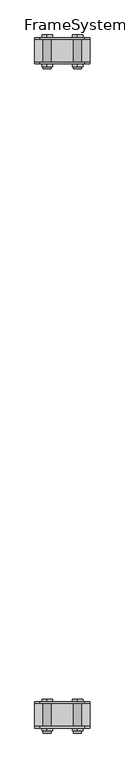
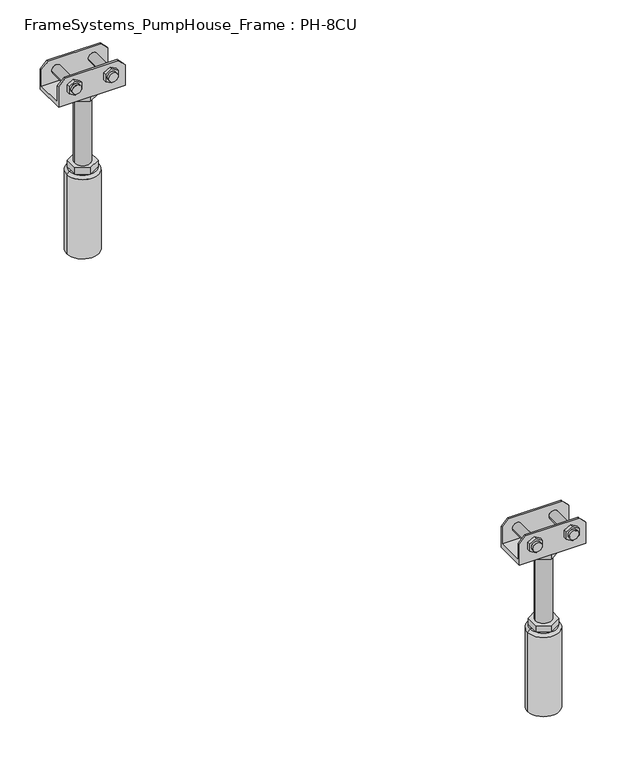
"""IFC4 building model written with IfcOpenShell, lengths in millimetres: beam geometry, FrameSystems_PumpHouse_Frame : PH-8CU."""

from ifc_helpers import new_model, si_unit, frame, origin, place, context, project, spatial, polyline, circle_curve, source, transform, mapped, element, save
from ifc_brep_helpers import plane_surface, cylinder_surface, revolved_surface, advanced_brep


def framesystems_pumphouse_frame_ph_8cu_715296e1(model_context):
    return source(origin(), model_context, "Body", "AdvancedBrep", [
        advanced_brep(
        [(3640.0, 1179.25, 316.0), (3650.0, 1179.25, 306.0), (3650.0, 1179.25, 280.0), (3550.0, 1179.25, 280.0), (3550.0, 1179.25, 306.0), (3560.0, 1179.25, 316.0), (3634.5, 1179.25, 299.0), (3620.5, 1179.25, 299.0), (3579.5, 1179.25, 299.0), (3565.5, 1179.25, 299.0), (3640.0, 1176.25, 316.0), (3560.0, 1176.25, 316.0), (3550.0, 1176.25, 306.0), (3550.0, 1176.25, 273.0), (3650.0, 1176.25, 273.0), (3650.0, 1176.25, 306.0), (3617.9194511, 1176.25, 293.4686675), (3617.9194511, 1176.25, 304.5313325), (3627.5, 1176.25, 310.062665), (3637.0805489, 1176.25, 304.5313325), (3637.0805489, 1176.25, 293.4686675), (3627.5, 1176.25, 287.937335), (3562.9194511, 1176.25, 293.4686675), (3562.9194511, 1176.25, 304.5313325), (3572.5, 1176.25, 310.062665), (3582.0805489, 1176.25, 304.5313325), (3582.0805489, 1176.25, 293.4686675), (3572.5, 1176.25, 287.937335), (3640.0, 1223.653247, 316.0), (3650.0, 1223.653247, 306.0), (3650.0, 1223.653247, 273.0), (3550.0, 1223.653247, 273.0), (3550.0, 1223.653247, 306.0), (3560.0, 1223.653247, 316.0), (3637.0805489, 1223.653247, 304.5313325), (3627.5, 1223.653247, 310.062665), (3617.9194511, 1223.653247, 304.5313325), (3617.9194511, 1223.653247, 293.4686675), (3627.5, 1223.653247, 287.937335), (3637.0805489, 1223.653247, 293.4686675), (3582.0805489, 1223.653247, 304.5313325), (3572.5, 1223.653247, 310.062665), (3562.9194511, 1223.653247, 304.5313325), (3562.9194511, 1223.653247, 293.4686675), (3572.5, 1223.653247, 287.937335), (3582.0805489, 1223.653247, 293.4686675), (3550.0, 1220.75, 280.0), (3550.0, 1220.75, 306.0), (3650.0, 1220.75, 280.0), (3650.0, 1220.75, 306.0), (3640.0, 1220.75, 316.0), (3560.0, 1220.75, 316.0), (3620.5, 1220.75, 299.0), (3634.5, 1220.75, 299.0), (3565.5, 1220.75, 299.0), (3579.5, 1220.75, 299.0), (3582.6794919, 1210.0, 273.0), (3582.6794919, 1190.0, 273.0), (3600.0, 1180.0, 273.0), (3617.3205081, 1190.0, 273.0), (3617.3205081, 1210.0, 273.0), (3600.0, 1220.0, 273.0), (3620.5, 1167.3051094, 299.0), (3634.5, 1167.3051094, 299.0), (3565.5, 1167.3051094, 299.0), (3579.5, 1167.3051094, 299.0), (3634.5, 1171.25, 299.0), (3620.5, 1171.25, 299.0), (3579.5, 1171.25, 299.0), (3565.5, 1171.25, 299.0), (3627.5, 1228.653247, 310.062665), (3637.0805489, 1228.653247, 304.5313325), (3637.0805489, 1228.653247, 293.4686675), (3627.5, 1228.653247, 287.937335), (3617.9194511, 1228.653247, 293.4686675), (3617.9194511, 1228.653247, 304.5313325), (3572.5, 1228.653247, 310.062665), (3582.0805489, 1228.653247, 304.5313325), (3582.0805489, 1228.653247, 293.4686675), (3572.5, 1228.653247, 287.937335), (3562.9194511, 1228.653247, 293.4686675), (3562.9194511, 1228.653247, 304.5313325), (3588.0, 1200.0, 263.0), (3588.0, 1200.0, 157.0), (3612.0, 1200.0, 157.0), (3612.0, 1200.0, 263.0), (3582.6794919, 1210.0, 263.0), (3600.0, 1220.0, 263.0), (3617.3205081, 1210.0, 263.0), (3617.3205081, 1190.0, 263.0), (3600.0, 1180.0, 263.0), (3582.6794919, 1190.0, 263.0), (3582.6794919, 1210.0, 157.0), (3582.6794919, 1190.0, 157.0), (3600.0, 1180.0, 157.0), (3617.3205081, 1190.0, 157.0), (3617.3205081, 1210.0, 157.0), (3600.0, 1220.0, 157.0), (3582.6794919, 1210.0, 147.0), (3582.6794919, 1200.0, 147.0), (3582.6794919, 1190.0, 147.0), (3600.0, 1180.0, 147.0), (3617.3205081, 1190.0, 147.0), (3617.3205081, 1200.0, 147.0), (3617.3205081, 1210.0, 147.0), (3600.0, 1220.0, 147.0), (3580.0, 1200.0, 147.0), (3620.0, 1200.0, 147.0), (3624.0, 1200.0, 143.0), (3576.0, 1200.0, 143.0), (3624.0, 1200.0, 17.0), (3576.0, 1200.0, 17.0), (3600.0, 1200.0, 17.0), (3617.9194511, 1171.25, 304.5313325), (3617.9194511, 1171.25, 293.4686675), (3627.5, 1171.25, 287.937335), (3637.0805489, 1171.25, 293.4686675), (3637.0805489, 1171.25, 304.5313325), (3627.5, 1171.25, 310.062665), (3562.9194511, 1171.25, 304.5313325), (3562.9194511, 1171.25, 293.4686675), (3572.5, 1171.25, 287.937335), (3582.0805489, 1171.25, 293.4686675), (3582.0805489, 1171.25, 304.5313325), (3572.5, 1171.25, 310.062665)],
        [
            (0, 1),
            (1, 2),
            (2, 3),
            (3, 4),
            (4, 5),
            (5, 0),
            (6, 7, circle_curve(frame((3627.5, 1179.25, 299.0), z_axis=(0.0, -1.0, 0.0), x_axis=(-1.0, 0.0, 0.0)), 7.0)),
            (7, 6, circle_curve(frame((3627.5, 1179.25, 299.0), z_axis=(0.0, -1.0, 0.0), x_axis=(-1.0, 0.0, 0.0)), 7.0)),
            (8, 9, circle_curve(frame((3572.5, 1179.25, 299.0), z_axis=(0.0, -1.0, 0.0), x_axis=(-1.0, 0.0, 0.0)), 7.0)),
            (9, 8, circle_curve(frame((3572.5, 1179.25, 299.0), z_axis=(0.0, -1.0, 0.0), x_axis=(-1.0, 0.0, 0.0)), 7.0)),
            (10, 11),
            (11, 12),
            (12, 13),
            (13, 14),
            (14, 15),
            (15, 10),
            (16, 17),
            (17, 18),
            (18, 19),
            (19, 20),
            (20, 21),
            (21, 16),
            (22, 23),
            (23, 24),
            (24, 25),
            (25, 26),
            (26, 27),
            (27, 22),
            (5, 11),
            (10, 0),
            (4, 12),
            (15, 1),
            (28, 29),
            (29, 30),
            (30, 31),
            (31, 32),
            (32, 33),
            (33, 28),
            (34, 35),
            (35, 36),
            (36, 37),
            (37, 38),
            (38, 39),
            (39, 34),
            (40, 41),
            (41, 42),
            (42, 43),
            (43, 44),
            (44, 45),
            (45, 40),
            (46, 47),
            (47, 32),
            (31, 13),
            (3, 46),
            (46, 48),
            (48, 49),
            (49, 50),
            (50, 51),
            (51, 47),
            (52, 53, circle_curve(frame((3627.5, 1220.75, 299.0), z_axis=(0.0, 1.0, 0.0), x_axis=(-1.0, 0.0, 0.0)), 7.0)),
            (53, 52, circle_curve(frame((3627.5, 1220.75, 299.0), z_axis=(0.0, 1.0, 0.0), x_axis=(-1.0, 0.0, 0.0)), 7.0)),
            (54, 55, circle_curve(frame((3572.5, 1220.75, 299.0), z_axis=(0.0, 1.0, 0.0), x_axis=(-1.0, 0.0, 0.0)), 7.0)),
            (55, 54, circle_curve(frame((3572.5, 1220.75, 299.0), z_axis=(0.0, 1.0, 0.0), x_axis=(-1.0, 0.0, 0.0)), 7.0)),
            (48, 2),
            (14, 30),
            (29, 49),
            (50, 28),
            (33, 51),
            (56, 57),
            (57, 58),
            (58, 59),
            (59, 60),
            (60, 61),
            (61, 56),
            (62, 63, circle_curve(frame((3627.5, 1167.3051094, 299.0), z_axis=(0.0, -1.0, 0.0), x_axis=(-1.0, 0.0, 0.0)), 7.0)),
            (63, 62, circle_curve(frame((3627.5, 1167.3051094, 299.0), z_axis=(0.0, -1.0, 0.0), x_axis=(-1.0, 0.0, 0.0)), 7.0)),
            (64, 65, circle_curve(frame((3572.5, 1167.3051094, 299.0), z_axis=(0.0, -1.0, 0.0), x_axis=(-1.0, 0.0, 0.0)), 7.0)),
            (65, 64, circle_curve(frame((3572.5, 1167.3051094, 299.0), z_axis=(0.0, -1.0, 0.0), x_axis=(-1.0, 0.0, 0.0)), 7.0)),
            (63, 66),
            (66, 67, circle_curve(frame((3627.5, 1171.25, 299.0), z_axis=(0.0, -1.0, 0.0), x_axis=(-1.0, 0.0, 0.0)), 7.0)),
            (67, 62),
            (6, 53),
            (52, 7),
            (67, 66, circle_curve(frame((3627.5, 1171.25, 299.0), z_axis=(0.0, -1.0, 0.0), x_axis=(-1.0, 0.0, 0.0)), 7.0)),
            (65, 68),
            (68, 69, circle_curve(frame((3572.5, 1171.25, 299.0), z_axis=(0.0, -1.0, 0.0), x_axis=(-1.0, 0.0, 0.0)), 7.0)),
            (69, 64),
            (8, 55),
            (54, 9),
            (69, 68, circle_curve(frame((3572.5, 1171.25, 299.0), z_axis=(0.0, -1.0, 0.0), x_axis=(-1.0, 0.0, 0.0)), 7.0)),
            (70, 71),
            (71, 72),
            (72, 73),
            (73, 74),
            (74, 75),
            (75, 70),
            (76, 77),
            (77, 78),
            (78, 79),
            (79, 80),
            (80, 81),
            (81, 76),
            (70, 35),
            (34, 71),
            (39, 72),
            (38, 73),
            (37, 74),
            (36, 75),
            (76, 41),
            (40, 77),
            (45, 78),
            (44, 79),
            (43, 80),
            (42, 81),
            (82, 83),
            (83, 84, circle_curve(frame((3600.0, 1200.0, 157.0), z_axis=(0.0, 0.0, 1.0), x_axis=(1.0, 0.0, 0.0)), 12.0)),
            (84, 85),
            (85, 82, circle_curve(frame((3600.0, 1200.0, 263.0), z_axis=(0.0, 0.0, -1.0), x_axis=(1.0, 0.0, 0.0)), 12.0)),
            (82, 85, circle_curve(frame((3600.0, 1200.0, 263.0), z_axis=(0.0, 0.0, -1.0), x_axis=(1.0, 0.0, 0.0)), 12.0)),
            (84, 83, circle_curve(frame((3600.0, 1200.0, 157.0), z_axis=(0.0, 0.0, 1.0), x_axis=(1.0, 0.0, 0.0)), 12.0)),
            (86, 87),
            (87, 88),
            (88, 89),
            (89, 90),
            (90, 91),
            (91, 86),
            (91, 57),
            (56, 86),
            (90, 58),
            (89, 59),
            (88, 60),
            (87, 61),
            (92, 93),
            (93, 94),
            (94, 95),
            (95, 96),
            (96, 97),
            (97, 92),
            (92, 98),
            (98, 99),
            (99, 100),
            (100, 93),
            (100, 101),
            (101, 94),
            (101, 102),
            (102, 95),
            (102, 103),
            (103, 104),
            (104, 96),
            (104, 105),
            (105, 97),
            (105, 98),
            (98, 106, circle_curve(frame((3600.0, 1200.0, 147.0), z_axis=(0.0, 0.0, 1.0), x_axis=(-1.0, 0.0, 0.0)), 20.0)),
            (106, 99),
            (105, 98, circle_curve(frame((3600.0, 1200.0, 147.0), z_axis=(0.0, 0.0, 1.0), x_axis=(-1.0, 0.0, 0.0)), 20.0)),
            (104, 105, circle_curve(frame((3600.0, 1200.0, 147.0), z_axis=(0.0, 0.0, 1.0), x_axis=(-1.0, 0.0, 0.0)), 20.0)),
            (107, 104, circle_curve(frame((3600.0, 1200.0, 147.0), z_axis=(0.0, 0.0, 1.0), x_axis=(-1.0, 0.0, 0.0)), 20.0)),
            (103, 107),
            (102, 107, circle_curve(frame((3600.0, 1200.0, 147.0), z_axis=(0.0, 0.0, 1.0), x_axis=(-1.0, 0.0, 0.0)), 20.0)),
            (101, 102, circle_curve(frame((3600.0, 1200.0, 147.0), z_axis=(0.0, 0.0, 1.0), x_axis=(-1.0, 0.0, 0.0)), 20.0)),
            (100, 101, circle_curve(frame((3600.0, 1200.0, 147.0), z_axis=(0.0, 0.0, 1.0), x_axis=(-1.0, 0.0, 0.0)), 20.0)),
            (106, 100, circle_curve(frame((3600.0, 1200.0, 147.0), z_axis=(0.0, 0.0, 1.0), x_axis=(-1.0, 0.0, 0.0)), 20.0)),
            (108, 109, circle_curve(frame((3600.0, 1200.0, 143.0), z_axis=(0.0, 0.0, 1.0), x_axis=(-1.0, 0.0, 0.0)), 24.0)),
            (109, 106),
            (107, 108),
            (109, 108, circle_curve(frame((3600.0, 1200.0, 143.0), z_axis=(0.0, 0.0, 1.0), x_axis=(-1.0, 0.0, 0.0)), 24.0)),
            (108, 110),
            (110, 111, circle_curve(frame((3600.0, 1200.0, 17.0), z_axis=(0.0, 0.0, 1.0), x_axis=(-1.0, 0.0, 0.0)), 24.0)),
            (111, 109),
            (111, 110, circle_curve(frame((3600.0, 1200.0, 17.0), z_axis=(0.0, 0.0, 1.0), x_axis=(-1.0, 0.0, 0.0)), 24.0)),
            (110, 112),
            (112, 111),
            (113, 114),
            (114, 115),
            (115, 116),
            (116, 117),
            (117, 118),
            (118, 113),
            (113, 17),
            (16, 114),
            (21, 115),
            (20, 116),
            (19, 117),
            (18, 118),
            (119, 120),
            (120, 121),
            (121, 122),
            (122, 123),
            (123, 124),
            (124, 119),
            (119, 23),
            (22, 120),
            (27, 121),
            (26, 122),
            (25, 123),
            (24, 124),
        ],
        [
            plane_surface(frame((3584.0150941, 1179.25, 316.0), z_axis=(0.0, 1.0, 0.0), x_axis=(1.0, 0.0, 0.0))),
            plane_surface(frame((3584.0150941, 1176.25, 316.0), z_axis=(0.0, -1.0, 0.0), x_axis=(-1.0, 0.0, 0.0))),
            plane_surface(frame((3640.0, 1176.25, 316.0), z_axis=(0.0, 0.0, 1.0), x_axis=(0.0, 1.0, 0.0))),
            plane_surface(frame((3560.0, 1176.25, 316.0), z_axis=(-0.7071067811865467, 0.0, 0.7071067811865485), x_axis=(0.0, 1.0, 0.0))),
            plane_surface(frame((3650.0, 1176.25, 306.0), z_axis=(0.7071067811865488, 0.0, 0.7071067811865464), x_axis=(0.0, 1.0, 0.0))),
            plane_surface(frame((3650.0, 1223.653247, 306.0), z_axis=(0.0, 1.0, 0.0), x_axis=(0.0, 0.0, -1.0))),
            plane_surface(frame((3550.0, 1223.653247, 306.0), z_axis=(-1.0, 0.0, 0.0), x_axis=(0.0, 0.0, -1.0))),
            plane_surface(frame((3550.0, 1220.75, 306.0), z_axis=(0.0, -1.0, 0.0), x_axis=(0.0, 0.0, -1.0))),
            plane_surface(frame((3650.0, 1220.75, 306.0), z_axis=(1.0, 0.0, 0.0), x_axis=(0.0, 0.0, -1.0))),
            plane_surface(frame((3560.0, 1223.75, 316.0), z_axis=(0.0, 0.0, 1.0), x_axis=(0.0, -1.0, 0.0))),
            plane_surface(frame((3550.0, 1223.75, 306.0), z_axis=(-0.7071067811865467, 0.0, 0.7071067811865485), x_axis=(0.0, -1.0, 0.0))),
            plane_surface(frame((3640.0, 1223.75, 316.0), z_axis=(0.7071067811865493, 0.0, 0.7071067811865457), x_axis=(0.0, -1.0, 0.0))),
            plane_surface(frame((3600.0, 1223.75, 280.0), z_axis=(0.0, 0.0, 1.0), x_axis=(-1.0, 0.0, 0.0))),
            plane_surface(frame((3600.0, 1223.75, 273.0), z_axis=(0.0, 0.0, -1.0), x_axis=(1.0, 0.0, 0.0))),
            plane_surface(frame((3620.5, 1167.3051094, 299.0), z_axis=(0.0, -1.0, 0.0), x_axis=(0.0, 0.0, -1.0))),
            cylinder_surface(frame((3627.5, 1167.3051094, 299.0), z_axis=(0.0, 1.0, 0.0), x_axis=(-1.0, 0.0, 0.0)), 7.0),
            cylinder_surface(frame((3572.5, 1223.653247, 299.0), z_axis=(0.0, 1.0, 0.0), x_axis=(-1.0, 0.0, 0.0)), 7.0),
            plane_surface(frame((3627.5, 1228.653247, 310.062665), z_axis=(0.0, 1.0000000000000002, 0.0), x_axis=(0.8660254037844375, 0.0, -0.5000000000000022))),
            plane_surface(frame((3627.5, 1228.653247, 310.062665), z_axis=(0.5000000000000022, 0.0, 0.8660254037844375), x_axis=(0.0, -1.0, 0.0))),
            plane_surface(frame((3637.0805489, 1228.653247, 304.5313325), z_axis=(1.0, 0.0, 0.0), x_axis=(0.0, -1.0, 0.0))),
            plane_surface(frame((3637.0805489, 1228.653247, 293.4686675), z_axis=(0.4999999999999969, 0.0, -0.8660254037844405), x_axis=(0.0, -1.0, 0.0))),
            plane_surface(frame((3627.5, 1228.653247, 287.937335), z_axis=(-0.5000000000000034, 0.0, -0.8660254037844367), x_axis=(0.0, -1.0, 0.0))),
            plane_surface(frame((3617.9194511, 1228.653247, 293.4686675), z_axis=(-1.0, 0.0, 0.0), x_axis=(0.0, -1.0, 0.0))),
            plane_surface(frame((3617.9194511, 1228.653247, 304.5313325), z_axis=(-0.49999999999999684, 0.0, 0.8660254037844405), x_axis=(0.0, -1.0, 0.0))),
            plane_surface(frame((3572.5, 1228.653247, 310.062665), z_axis=(0.5000000000000023, 0.0, 0.8660254037844374), x_axis=(0.0, -1.0, 0.0))),
            plane_surface(frame((3582.0805489, 1228.653247, 304.5313325), z_axis=(1.0, 0.0, 0.0), x_axis=(0.0, -1.0, 0.0))),
            plane_surface(frame((3582.0805489, 1228.653247, 293.4686675), z_axis=(0.4999999999999969, 0.0, -0.8660254037844405), x_axis=(0.0, -1.0, 0.0))),
            plane_surface(frame((3572.5, 1228.653247, 287.937335), z_axis=(-0.5000000000000033, 0.0, -0.8660254037844368), x_axis=(0.0, -1.0, 0.0))),
            plane_surface(frame((3562.9194511, 1228.653247, 293.4686675), z_axis=(-1.0, 0.0, 0.0), x_axis=(0.0, -1.0, 0.0))),
            plane_surface(frame((3562.9194511, 1228.653247, 304.5313325), z_axis=(-0.4999999999999967, 0.0, 0.8660254037844405), x_axis=(0.0, -1.0, 0.0))),
            cylinder_surface(frame((3600.0, 1200.0, 157.0), z_axis=(0.0, 0.0, 1.0), x_axis=(1.0, 0.0, 0.0)), 12.0),
            plane_surface(frame((3582.6794919, 1210.0, 263.0), z_axis=(0.0, 0.0, -1.0), x_axis=(0.0, 1.0, 0.0))),
            plane_surface(frame((3582.6794919, 1210.0, 273.0), z_axis=(-1.0, 0.0, 0.0), x_axis=(0.0, 0.0, -1.0))),
            plane_surface(frame((3582.6794919, 1190.0, 273.0), z_axis=(-0.5000000000000034, -0.8660254037844367, 0.0), x_axis=(0.0, 0.0, -1.0))),
            plane_surface(frame((3600.0, 1180.0, 273.0), z_axis=(0.4999999999999958, -0.8660254037844412, 0.0), x_axis=(0.0, 0.0, -1.0))),
            plane_surface(frame((3617.3205081, 1190.0, 273.0), z_axis=(1.0, 0.0, 0.0), x_axis=(0.0, 0.0, -1.0))),
            plane_surface(frame((3617.3205081, 1210.0, 273.0), z_axis=(0.5000000000000064, 0.866025403784435, 0.0), x_axis=(0.0, 0.0, -1.0))),
            plane_surface(frame((3600.0, 1220.0, 273.0), z_axis=(-0.4999999999999984, 0.8660254037844396, 0.0), x_axis=(0.0, 0.0, -1.0))),
            plane_surface(frame((3582.6794919, 1210.0, 157.0), z_axis=(0.0, 0.0, 1.0), x_axis=(0.0, -1.0, 0.0))),
            plane_surface(frame((3582.6794919, 1210.0, 157.0), z_axis=(-1.0, 0.0, 0.0), x_axis=(0.0, 0.0, -1.0))),
            plane_surface(frame((3582.6794919, 1190.0, 157.0), z_axis=(-0.5000000000000034, -0.8660254037844367, 0.0), x_axis=(0.0, 0.0, -1.0))),
            plane_surface(frame((3600.0, 1180.0, 157.0), z_axis=(0.49999999999999545, -0.8660254037844413, 0.0), x_axis=(0.0, 0.0, -1.0))),
            plane_surface(frame((3617.3205081, 1190.0, 157.0), z_axis=(1.0, 0.0, 0.0), x_axis=(0.0, 0.0, -1.0))),
            plane_surface(frame((3617.3205081, 1210.0, 157.0), z_axis=(0.5000000000000064, 0.866025403784435, 0.0), x_axis=(0.0, 0.0, -1.0))),
            plane_surface(frame((3600.0, 1220.0, 157.0), z_axis=(-0.49999999999999845, 0.8660254037844396, 0.0), x_axis=(0.0, 0.0, -1.0))),
            plane_surface(frame((3600.0, 1200.0, 147.0), z_axis=(0.0, 0.0, 1.0), x_axis=(-1.0, 0.0, 0.0))),
            revolved_surface(polyline([(3580.0, 1200.0, 147.0), (3576.0, 1200.0, 143.0)]), (3600.0, 1200.0, 172.0), (0.0, 0.0, -1.0)),
            cylinder_surface(frame((3600.0, 1200.0, 172.0), z_axis=(0.0, 0.0, -1.0), x_axis=(-1.0, 0.0, 0.0)), 24.0),
            plane_surface(frame((3600.0, 1200.0, 17.0), z_axis=(0.0, 0.0, -1.0), x_axis=(-1.0, 0.0, 0.0))),
            plane_surface(frame((3617.9194511, 1171.25, 304.5313325), z_axis=(0.0, -1.0, 0.0), x_axis=(0.0, 0.0, -1.0))),
            plane_surface(frame((3617.9194511, 1171.25, 304.5313325), z_axis=(-1.0, 0.0, 0.0), x_axis=(0.0, 1.0, 0.0))),
            plane_surface(frame((3617.9194511, 1171.25, 293.4686675), z_axis=(-0.500000000000003, 0.0, -0.866025403784437), x_axis=(0.0, 1.0, 0.0))),
            plane_surface(frame((3627.5, 1171.25, 287.937335), z_axis=(0.4999999999999972, 0.0, -0.8660254037844403), x_axis=(0.0, 1.0, 0.0))),
            plane_surface(frame((3637.0805489, 1171.25, 293.4686675), z_axis=(1.0, 0.0, 0.0), x_axis=(0.0, 1.0, 0.0))),
            plane_surface(frame((3637.0805489, 1171.25, 304.5313325), z_axis=(0.500000000000003, 0.0, 0.8660254037844369), x_axis=(0.0, 1.0, 0.0))),
            plane_surface(frame((3627.5, 1171.25, 310.062665), z_axis=(-0.49999999999999617, 0.0, 0.8660254037844409), x_axis=(0.0, 1.0, 0.0))),
            plane_surface(frame((3562.9194511, 1171.25, 304.5313325), z_axis=(0.0, -1.0, 0.0), x_axis=(0.0, 0.0, -1.0))),
            plane_surface(frame((3562.9194511, 1171.25, 304.5313325), z_axis=(-1.0, 0.0, 0.0), x_axis=(0.0, 1.0, 0.0))),
            plane_surface(frame((3562.9194511, 1171.25, 293.4686675), z_axis=(-0.5000000000000031, 0.0, -0.8660254037844368), x_axis=(0.0, 1.0, 0.0))),
            plane_surface(frame((3572.5, 1171.25, 287.937335), z_axis=(0.49999999999999717, 0.0, -0.8660254037844404), x_axis=(0.0, 1.0, 0.0))),
            plane_surface(frame((3582.0805489, 1171.25, 293.4686675), z_axis=(1.0, 0.0, 0.0), x_axis=(0.0, 1.0, 0.0))),
            plane_surface(frame((3582.0805489, 1171.25, 304.5313325), z_axis=(0.500000000000003, 0.0, 0.8660254037844369), x_axis=(0.0, 1.0, 0.0))),
            plane_surface(frame((3572.5, 1171.25, 310.062665), z_axis=(-0.4999999999999963, 0.0, 0.8660254037844408), x_axis=(0.0, 1.0, 0.0))),
        ],
        [
            (0, [[1, 2, 3, 4, 5, 6], [7, 8], [9, 10]]),
            (1, [[11, 12, 13, 14, 15, 16], [17, 18, 19, 20, 21, 22], [23, 24, 25, 26, 27, 28]]),
            (2, [[-6, 29, -11, 30]]),
            (3, [[-5, 31, -12, -29]]),
            (4, [[-1, -30, -16, 32]]),
            (5, [[33, 34, 35, 36, 37, 38], [39, 40, 41, 42, 43, 44], [45, 46, 47, 48, 49, 50]]),
            (6, [[51, 52, -36, 53, -13, -31, -4, 54]]),
            (7, [[-51, 55, 56, 57, 58, 59], [60, 61], [62, 63]]),
            (8, [[-56, 64, -2, -32, -15, 65, -34, 66]]),
            (9, [[-58, 67, -38, 68]]),
            (10, [[-59, -68, -37, -52]]),
            (11, [[-57, -66, -33, -67]]),
            (12, [[-64, -55, -54, -3]]),
            (13, [[-65, -14, -53, -35], [69, 70, 71, 72, 73, 74]]),
            (14, [[75, 76]]),
            (14, [[77, 78]]),
            (15, [[-76, 79, 80, 81]]),
            (15, [[82, -60, 83, -7]]),
            (15, [[-75, -81, 84, -79]]),
            (15, [[-82, -8, -83, -61]]),
            (16, [[-78, 85, 86, 87]]),
            (16, [[88, -62, 89, -9]]),
            (16, [[-77, -87, 90, -85]]),
            (16, [[-88, -10, -89, -63]]),
            (17, [[91, 92, 93, 94, 95, 96]]),
            (17, [[97, 98, 99, 100, 101, 102]]),
            (18, [[-91, 103, -39, 104]]),
            (19, [[-92, -104, -44, 105]]),
            (20, [[-93, -105, -43, 106]]),
            (21, [[-94, -106, -42, 107]]),
            (22, [[-95, -107, -41, 108]]),
            (23, [[-96, -108, -40, -103]]),
            (24, [[-97, 109, -45, 110]]),
            (25, [[-98, -110, -50, 111]]),
            (26, [[-99, -111, -49, 112]]),
            (27, [[-100, -112, -48, 113]]),
            (28, [[-101, -113, -47, 114]]),
            (29, [[-102, -114, -46, -109]]),
            (30, [[115, 116, 117, 118]]),
            (30, [[-115, 119, -117, 120]]),
            (31, [[121, 122, 123, 124, 125, 126], [-118, -119]]),
            (32, [[-126, 127, -69, 128]]),
            (33, [[-125, 129, -70, -127]]),
            (34, [[-124, 130, -71, -129]]),
            (35, [[-123, 131, -72, -130]]),
            (36, [[-122, 132, -73, -131]]),
            (37, [[-121, -128, -74, -132]]),
            (38, [[133, 134, 135, 136, 137, 138], [-116, -120]]),
            (39, [[-133, 139, 140, 141, 142]]),
            (40, [[-134, -142, 143, 144]]),
            (41, [[-135, -144, 145, 146]]),
            (42, [[-136, -146, 147, 148, 149]]),
            (43, [[-137, -149, 150, 151]]),
            (44, [[-138, -151, 152, -139]]),
            (45, [[153, 154, -140]]),
            (45, [[155, -152]]),
            (45, [[156, -150]]),
            (45, [[157, -148, 158]]),
            (45, [[159, -158, -147]]),
            (45, [[160, -145]]),
            (45, [[161, -143]]),
            (45, [[162, -141, -154]]),
            (46, [[163, 164, -153, -155, -156, -157, 165]]),
            (46, [[-164, 166, -165, -159, -160, -161, -162]]),
            (47, [[-163, 167, 168, 169]]),
            (47, [[-166, -169, 170, -167]]),
            (48, [[-168, 171, 172]]),
            (48, [[-170, -172, -171]]),
            (49, [[173, 174, 175, 176, 177, 178], [-80, -84]]),
            (50, [[-173, 179, -17, 180]]),
            (51, [[-174, -180, -22, 181]]),
            (52, [[-175, -181, -21, 182]]),
            (53, [[-176, -182, -20, 183]]),
            (54, [[-177, -183, -19, 184]]),
            (55, [[-178, -184, -18, -179]]),
            (56, [[185, 186, 187, 188, 189, 190], [-86, -90]]),
            (57, [[-185, 191, -23, 192]]),
            (58, [[-186, -192, -28, 193]]),
            (59, [[-187, -193, -27, 194]]),
            (60, [[-188, -194, -26, 195]]),
            (61, [[-189, -195, -25, 196]]),
            (62, [[-190, -196, -24, -191]]),
        ],
    ),
        advanced_brep(
        [(3640.0, -20.75, 316.0), (3650.0, -20.75, 306.0), (3650.0, -20.75, 280.0), (3550.0, -20.75, 280.0), (3550.0, -20.75, 306.0), (3560.0, -20.75, 316.0), (3634.5, -20.75, 299.0), (3620.5, -20.75, 299.0), (3579.5, -20.75, 299.0), (3565.5, -20.75, 299.0), (3640.0, -23.75, 316.0), (3560.0, -23.75, 316.0), (3550.0, -23.75, 306.0), (3550.0, -23.75, 273.0), (3650.0, -23.75, 273.0), (3650.0, -23.75, 306.0), (3617.9194511, -23.75, 293.4686675), (3617.9194511, -23.75, 304.5313325), (3627.5, -23.75, 310.062665), (3637.0805489, -23.75, 304.5313325), (3637.0805489, -23.75, 293.4686675), (3627.5, -23.75, 287.937335), (3562.9194511, -23.75, 293.4686675), (3562.9194511, -23.75, 304.5313325), (3572.5, -23.75, 310.062665), (3582.0805489, -23.75, 304.5313325), (3582.0805489, -23.75, 293.4686675), (3572.5, -23.75, 287.937335), (3640.0, 23.653247, 316.0), (3650.0, 23.653247, 306.0), (3650.0, 23.653247, 273.0), (3550.0, 23.653247, 273.0), (3550.0, 23.653247, 306.0), (3560.0, 23.653247, 316.0), (3637.0805489, 23.653247, 304.5313325), (3627.5, 23.653247, 310.062665), (3617.9194511, 23.653247, 304.5313325), (3617.9194511, 23.653247, 293.4686675), (3627.5, 23.653247, 287.937335), (3637.0805489, 23.653247, 293.4686675), (3582.0805489, 23.653247, 304.5313325), (3572.5, 23.653247, 310.062665), (3562.9194511, 23.653247, 304.5313325), (3562.9194511, 23.653247, 293.4686675), (3572.5, 23.653247, 287.937335), (3582.0805489, 23.653247, 293.4686675), (3550.0, 20.75, 280.0), (3550.0, 20.75, 306.0), (3650.0, 20.75, 280.0), (3650.0, 20.75, 306.0), (3640.0, 20.75, 316.0), (3560.0, 20.75, 316.0), (3620.5, 20.75, 299.0), (3634.5, 20.75, 299.0), (3565.5, 20.75, 299.0), (3579.5, 20.75, 299.0), (3582.6794919, 10.0, 273.0), (3582.6794919, -10.0, 273.0), (3600.0, -20.0, 273.0), (3617.3205081, -10.0, 273.0), (3617.3205081, 10.0, 273.0), (3600.0, 20.0, 273.0), (3620.5, -32.6948906, 299.0), (3634.5, -32.6948906, 299.0), (3565.5, -32.6948906, 299.0), (3579.5, -32.6948906, 299.0), (3634.5, -28.75, 299.0), (3620.5, -28.75, 299.0), (3579.5, -28.75, 299.0), (3565.5, -28.75, 299.0), (3627.5, 28.653247, 310.062665), (3637.0805489, 28.653247, 304.5313325), (3637.0805489, 28.653247, 293.4686675), (3627.5, 28.653247, 287.937335), (3617.9194511, 28.653247, 293.4686675), (3617.9194511, 28.653247, 304.5313325), (3572.5, 28.653247, 310.062665), (3582.0805489, 28.653247, 304.5313325), (3582.0805489, 28.653247, 293.4686675), (3572.5, 28.653247, 287.937335), (3562.9194511, 28.653247, 293.4686675), (3562.9194511, 28.653247, 304.5313325), (3588.0, 0.0, 263.0), (3588.0, 0.0, 157.0), (3612.0, 0.0, 157.0), (3612.0, 0.0, 263.0), (3582.6794919, 10.0, 263.0), (3600.0, 20.0, 263.0), (3617.3205081, 10.0, 263.0), (3617.3205081, -10.0, 263.0), (3600.0, -20.0, 263.0), (3582.6794919, -10.0, 263.0), (3582.6794919, 10.0, 157.0), (3582.6794919, -10.0, 157.0), (3600.0, -20.0, 157.0), (3617.3205081, -10.0, 157.0), (3617.3205081, 10.0, 157.0), (3600.0, 20.0, 157.0), (3582.6794919, 10.0, 147.0), (3582.6794919, 0.0, 147.0), (3582.6794919, -10.0, 147.0), (3600.0, -20.0, 147.0), (3617.3205081, -10.0, 147.0), (3617.3205081, 0.0, 147.0), (3617.3205081, 10.0, 147.0), (3600.0, 20.0, 147.0), (3580.0, 0.0, 147.0), (3620.0, 0.0, 147.0), (3624.0, 0.0, 143.0), (3576.0, 0.0, 143.0), (3624.0, 0.0, 17.0), (3576.0, 0.0, 17.0), (3600.0, 0.0, 17.0), (3617.9194511, -28.75, 304.5313325), (3617.9194511, -28.75, 293.4686675), (3627.5, -28.75, 287.937335), (3637.0805489, -28.75, 293.4686675), (3637.0805489, -28.75, 304.5313325), (3627.5, -28.75, 310.062665), (3562.9194511, -28.75, 304.5313325), (3562.9194511, -28.75, 293.4686675), (3572.5, -28.75, 287.937335), (3582.0805489, -28.75, 293.4686675), (3582.0805489, -28.75, 304.5313325), (3572.5, -28.75, 310.062665)],
        [
            (0, 1),
            (1, 2),
            (2, 3),
            (3, 4),
            (4, 5),
            (5, 0),
            (6, 7, circle_curve(frame((3627.5, -20.75, 299.0), z_axis=(0.0, -1.0, 0.0), x_axis=(-1.0, 0.0, 0.0)), 7.0)),
            (7, 6, circle_curve(frame((3627.5, -20.75, 299.0), z_axis=(0.0, -1.0, 0.0), x_axis=(-1.0, 0.0, 0.0)), 7.0)),
            (8, 9, circle_curve(frame((3572.5, -20.75, 299.0), z_axis=(0.0, -1.0, 0.0), x_axis=(-1.0, 0.0, 0.0)), 7.0)),
            (9, 8, circle_curve(frame((3572.5, -20.75, 299.0), z_axis=(0.0, -1.0, 0.0), x_axis=(-1.0, 0.0, 0.0)), 7.0)),
            (10, 11),
            (11, 12),
            (12, 13),
            (13, 14),
            (14, 15),
            (15, 10),
            (16, 17),
            (17, 18),
            (18, 19),
            (19, 20),
            (20, 21),
            (21, 16),
            (22, 23),
            (23, 24),
            (24, 25),
            (25, 26),
            (26, 27),
            (27, 22),
            (5, 11),
            (10, 0),
            (4, 12),
            (15, 1),
            (28, 29),
            (29, 30),
            (30, 31),
            (31, 32),
            (32, 33),
            (33, 28),
            (34, 35),
            (35, 36),
            (36, 37),
            (37, 38),
            (38, 39),
            (39, 34),
            (40, 41),
            (41, 42),
            (42, 43),
            (43, 44),
            (44, 45),
            (45, 40),
            (46, 47),
            (47, 32),
            (31, 13),
            (3, 46),
            (46, 48),
            (48, 49),
            (49, 50),
            (50, 51),
            (51, 47),
            (52, 53, circle_curve(frame((3627.5, 20.75, 299.0), z_axis=(0.0, 1.0, 0.0), x_axis=(-1.0, 0.0, 0.0)), 7.0)),
            (53, 52, circle_curve(frame((3627.5, 20.75, 299.0), z_axis=(0.0, 1.0, 0.0), x_axis=(-1.0, 0.0, 0.0)), 7.0)),
            (54, 55, circle_curve(frame((3572.5, 20.75, 299.0), z_axis=(0.0, 1.0, 0.0), x_axis=(-1.0, 0.0, 0.0)), 7.0)),
            (55, 54, circle_curve(frame((3572.5, 20.75, 299.0), z_axis=(0.0, 1.0, 0.0), x_axis=(-1.0, 0.0, 0.0)), 7.0)),
            (48, 2),
            (14, 30),
            (29, 49),
            (50, 28),
            (33, 51),
            (56, 57),
            (57, 58),
            (58, 59),
            (59, 60),
            (60, 61),
            (61, 56),
            (62, 63, circle_curve(frame((3627.5, -32.6948906, 299.0), z_axis=(0.0, -1.0, 0.0), x_axis=(-1.0, 0.0, 0.0)), 7.0)),
            (63, 62, circle_curve(frame((3627.5, -32.6948906, 299.0), z_axis=(0.0, -1.0, 0.0), x_axis=(-1.0, 0.0, 0.0)), 7.0)),
            (64, 65, circle_curve(frame((3572.5, -32.6948906, 299.0), z_axis=(0.0, -1.0, 0.0), x_axis=(-1.0, 0.0, 0.0)), 7.0)),
            (65, 64, circle_curve(frame((3572.5, -32.6948906, 299.0), z_axis=(0.0, -1.0, 0.0), x_axis=(-1.0, 0.0, 0.0)), 7.0)),
            (63, 66),
            (66, 67, circle_curve(frame((3627.5, -28.75, 299.0), z_axis=(0.0, -1.0, 0.0), x_axis=(-1.0, 0.0, 0.0)), 7.0)),
            (67, 62),
            (6, 53),
            (52, 7),
            (67, 66, circle_curve(frame((3627.5, -28.75, 299.0), z_axis=(0.0, -1.0, 0.0), x_axis=(-1.0, 0.0, 0.0)), 7.0)),
            (65, 68),
            (68, 69, circle_curve(frame((3572.5, -28.75, 299.0), z_axis=(0.0, -1.0, 0.0), x_axis=(-1.0, 0.0, 0.0)), 7.0)),
            (69, 64),
            (8, 55),
            (54, 9),
            (69, 68, circle_curve(frame((3572.5, -28.75, 299.0), z_axis=(0.0, -1.0, 0.0), x_axis=(-1.0, 0.0, 0.0)), 7.0)),
            (70, 71),
            (71, 72),
            (72, 73),
            (73, 74),
            (74, 75),
            (75, 70),
            (76, 77),
            (77, 78),
            (78, 79),
            (79, 80),
            (80, 81),
            (81, 76),
            (70, 35),
            (34, 71),
            (39, 72),
            (38, 73),
            (37, 74),
            (36, 75),
            (76, 41),
            (40, 77),
            (45, 78),
            (44, 79),
            (43, 80),
            (42, 81),
            (82, 83),
            (83, 84, circle_curve(frame((3600.0, 0.0, 157.0), z_axis=(0.0, 0.0, 1.0), x_axis=(1.0, 0.0, 0.0)), 12.0)),
            (84, 85),
            (85, 82, circle_curve(frame((3600.0, 0.0, 263.0), z_axis=(0.0, 0.0, -1.0), x_axis=(1.0, 0.0, 0.0)), 12.0)),
            (82, 85, circle_curve(frame((3600.0, 0.0, 263.0), z_axis=(0.0, 0.0, -1.0), x_axis=(1.0, 0.0, 0.0)), 12.0)),
            (84, 83, circle_curve(frame((3600.0, 0.0, 157.0), z_axis=(0.0, 0.0, 1.0), x_axis=(1.0, 0.0, 0.0)), 12.0)),
            (86, 87),
            (87, 88),
            (88, 89),
            (89, 90),
            (90, 91),
            (91, 86),
            (91, 57),
            (56, 86),
            (90, 58),
            (89, 59),
            (88, 60),
            (87, 61),
            (92, 93),
            (93, 94),
            (94, 95),
            (95, 96),
            (96, 97),
            (97, 92),
            (92, 98),
            (98, 99),
            (99, 100),
            (100, 93),
            (100, 101),
            (101, 94),
            (101, 102),
            (102, 95),
            (102, 103),
            (103, 104),
            (104, 96),
            (104, 105),
            (105, 97),
            (105, 98),
            (98, 106, circle_curve(frame((3600.0, 0.0, 147.0), z_axis=(0.0, 0.0, 1.0), x_axis=(-1.0, 0.0, 0.0)), 20.0)),
            (106, 99),
            (105, 98, circle_curve(frame((3600.0, 0.0, 147.0), z_axis=(0.0, 0.0, 1.0), x_axis=(-1.0, 0.0, 0.0)), 20.0)),
            (104, 105, circle_curve(frame((3600.0, 0.0, 147.0), z_axis=(0.0, 0.0, 1.0), x_axis=(-1.0, 0.0, 0.0)), 20.0)),
            (107, 104, circle_curve(frame((3600.0, 0.0, 147.0), z_axis=(0.0, 0.0, 1.0), x_axis=(-1.0, 0.0, 0.0)), 20.0)),
            (103, 107),
            (102, 107, circle_curve(frame((3600.0, 0.0, 147.0), z_axis=(0.0, 0.0, 1.0), x_axis=(-1.0, 0.0, 0.0)), 20.0)),
            (101, 102, circle_curve(frame((3600.0, 0.0, 147.0), z_axis=(0.0, 0.0, 1.0), x_axis=(-1.0, 0.0, 0.0)), 20.0)),
            (100, 101, circle_curve(frame((3600.0, 0.0, 147.0), z_axis=(0.0, 0.0, 1.0), x_axis=(-1.0, 0.0, 0.0)), 20.0)),
            (106, 100, circle_curve(frame((3600.0, 0.0, 147.0), z_axis=(0.0, 0.0, 1.0), x_axis=(-1.0, 0.0, 0.0)), 20.0)),
            (108, 109, circle_curve(frame((3600.0, 0.0, 143.0), z_axis=(0.0, 0.0, 1.0), x_axis=(-1.0, 0.0, 0.0)), 24.0)),
            (109, 106),
            (107, 108),
            (109, 108, circle_curve(frame((3600.0, 0.0, 143.0), z_axis=(0.0, 0.0, 1.0), x_axis=(-1.0, 0.0, 0.0)), 24.0)),
            (108, 110),
            (110, 111, circle_curve(frame((3600.0, 0.0, 17.0), z_axis=(0.0, 0.0, 1.0), x_axis=(-1.0, 0.0, 0.0)), 24.0)),
            (111, 109),
            (111, 110, circle_curve(frame((3600.0, 0.0, 17.0), z_axis=(0.0, 0.0, 1.0), x_axis=(-1.0, 0.0, 0.0)), 24.0)),
            (110, 112),
            (112, 111),
            (113, 114),
            (114, 115),
            (115, 116),
            (116, 117),
            (117, 118),
            (118, 113),
            (113, 17),
            (16, 114),
            (21, 115),
            (20, 116),
            (19, 117),
            (18, 118),
            (119, 120),
            (120, 121),
            (121, 122),
            (122, 123),
            (123, 124),
            (124, 119),
            (119, 23),
            (22, 120),
            (27, 121),
            (26, 122),
            (25, 123),
            (24, 124),
        ],
        [
            plane_surface(frame((3584.0150941, -20.75, 316.0), z_axis=(0.0, 1.0, 0.0), x_axis=(1.0, 0.0, 0.0))),
            plane_surface(frame((3584.0150941, -23.75, 316.0), z_axis=(0.0, -1.0, 0.0), x_axis=(-1.0, 0.0, 0.0))),
            plane_surface(frame((3640.0, -23.75, 316.0), z_axis=(0.0, 0.0, 1.0), x_axis=(0.0, 1.0, 0.0))),
            plane_surface(frame((3560.0, -23.75, 316.0), z_axis=(-0.7071067811865467, 0.0, 0.7071067811865485), x_axis=(0.0, 1.0, 0.0))),
            plane_surface(frame((3650.0, -23.75, 306.0), z_axis=(0.7071067811865488, 0.0, 0.7071067811865464), x_axis=(0.0, 1.0, 0.0))),
            plane_surface(frame((3650.0, 23.653247, 306.0), z_axis=(0.0, 1.0, 0.0), x_axis=(0.0, 0.0, -1.0))),
            plane_surface(frame((3550.0, 23.653247, 306.0), z_axis=(-1.0, 0.0, 0.0), x_axis=(0.0, 0.0, -1.0))),
            plane_surface(frame((3550.0, 20.75, 306.0), z_axis=(0.0, -1.0, 0.0), x_axis=(0.0, 0.0, -1.0))),
            plane_surface(frame((3650.0, 20.75, 306.0), z_axis=(1.0, 0.0, 0.0), x_axis=(0.0, 0.0, -1.0))),
            plane_surface(frame((3560.0, 23.75, 316.0), z_axis=(0.0, 0.0, 1.0), x_axis=(0.0, -1.0, 0.0))),
            plane_surface(frame((3550.0, 23.75, 306.0), z_axis=(-0.7071067811865467, 0.0, 0.7071067811865485), x_axis=(0.0, -1.0, 0.0))),
            plane_surface(frame((3640.0, 23.75, 316.0), z_axis=(0.7071067811865493, 0.0, 0.7071067811865457), x_axis=(0.0, -1.0, 0.0))),
            plane_surface(frame((3600.0, 23.75, 280.0), z_axis=(0.0, 0.0, 1.0), x_axis=(-1.0, 0.0, 0.0))),
            plane_surface(frame((3600.0, 23.75, 273.0), z_axis=(0.0, 0.0, -1.0), x_axis=(1.0, 0.0, 0.0))),
            plane_surface(frame((3620.5, -32.6948906, 299.0), z_axis=(0.0, -1.0, 0.0), x_axis=(0.0, 0.0, -1.0))),
            cylinder_surface(frame((3627.5, -32.6948906, 299.0), z_axis=(0.0, 1.0, 0.0), x_axis=(-1.0, 0.0, 0.0)), 7.0),
            cylinder_surface(frame((3572.5, 23.653247, 299.0), z_axis=(0.0, 1.0, 0.0), x_axis=(-1.0, 0.0, 0.0)), 7.0),
            plane_surface(frame((3627.5, 28.653247, 310.062665), z_axis=(0.0, 1.0000000000000002, 0.0), x_axis=(0.8660254037844375, 0.0, -0.5000000000000022))),
            plane_surface(frame((3627.5, 28.653247, 310.062665), z_axis=(0.5000000000000022, 0.0, 0.8660254037844375), x_axis=(0.0, -1.0, 0.0))),
            plane_surface(frame((3637.0805489, 28.653247, 304.5313325), z_axis=(1.0, 0.0, 0.0), x_axis=(0.0, -1.0, 0.0))),
            plane_surface(frame((3637.0805489, 28.653247, 293.4686675), z_axis=(0.4999999999999969, 0.0, -0.8660254037844405), x_axis=(0.0, -1.0, 0.0))),
            plane_surface(frame((3627.5, 28.653247, 287.937335), z_axis=(-0.5000000000000034, 0.0, -0.8660254037844367), x_axis=(0.0, -1.0, 0.0))),
            plane_surface(frame((3617.9194511, 28.653247, 293.4686675), z_axis=(-1.0, 0.0, 0.0), x_axis=(0.0, -1.0, 0.0))),
            plane_surface(frame((3617.9194511, 28.653247, 304.5313325), z_axis=(-0.49999999999999684, 0.0, 0.8660254037844405), x_axis=(0.0, -1.0, 0.0))),
            plane_surface(frame((3572.5, 28.653247, 310.062665), z_axis=(0.5000000000000023, 0.0, 0.8660254037844374), x_axis=(0.0, -1.0, 0.0))),
            plane_surface(frame((3582.0805489, 28.653247, 304.5313325), z_axis=(1.0, 0.0, 0.0), x_axis=(0.0, -1.0, 0.0))),
            plane_surface(frame((3582.0805489, 28.653247, 293.4686675), z_axis=(0.4999999999999969, 0.0, -0.8660254037844405), x_axis=(0.0, -1.0, 0.0))),
            plane_surface(frame((3572.5, 28.653247, 287.937335), z_axis=(-0.5000000000000033, 0.0, -0.8660254037844368), x_axis=(0.0, -1.0, 0.0))),
            plane_surface(frame((3562.9194511, 28.653247, 293.4686675), z_axis=(-1.0, 0.0, 0.0), x_axis=(0.0, -1.0, 0.0))),
            plane_surface(frame((3562.9194511, 28.653247, 304.5313325), z_axis=(-0.4999999999999967, 0.0, 0.8660254037844405), x_axis=(0.0, -1.0, 0.0))),
            cylinder_surface(frame((3600.0, 0.0, 157.0), z_axis=(0.0, 0.0, 1.0), x_axis=(1.0, 0.0, 0.0)), 12.0),
            plane_surface(frame((3582.6794919, 10.0, 263.0), z_axis=(0.0, 0.0, -1.0), x_axis=(0.0, 1.0, 0.0))),
            plane_surface(frame((3582.6794919, 10.0, 273.0), z_axis=(-1.0, 0.0, 0.0), x_axis=(0.0, 0.0, -1.0))),
            plane_surface(frame((3582.6794919, -10.0, 273.0), z_axis=(-0.5000000000000034, -0.8660254037844367, 0.0), x_axis=(0.0, 0.0, -1.0))),
            plane_surface(frame((3600.0, -20.0, 273.0), z_axis=(0.4999999999999958, -0.8660254037844412, 0.0), x_axis=(0.0, 0.0, -1.0))),
            plane_surface(frame((3617.3205081, -10.0, 273.0), z_axis=(1.0, 0.0, 0.0), x_axis=(0.0, 0.0, -1.0))),
            plane_surface(frame((3617.3205081, 10.0, 273.0), z_axis=(0.5000000000000064, 0.866025403784435, 0.0), x_axis=(0.0, 0.0, -1.0))),
            plane_surface(frame((3600.0, 20.0, 273.0), z_axis=(-0.4999999999999984, 0.8660254037844396, 0.0), x_axis=(0.0, 0.0, -1.0))),
            plane_surface(frame((3582.6794919, 10.0, 157.0), z_axis=(0.0, 0.0, 1.0), x_axis=(0.0, -1.0, 0.0))),
            plane_surface(frame((3582.6794919, 10.0, 157.0), z_axis=(-1.0, 0.0, 0.0), x_axis=(0.0, 0.0, -1.0))),
            plane_surface(frame((3582.6794919, -10.0, 157.0), z_axis=(-0.5000000000000034, -0.8660254037844367, 0.0), x_axis=(0.0, 0.0, -1.0))),
            plane_surface(frame((3600.0, -20.0, 157.0), z_axis=(0.49999999999999545, -0.8660254037844413, 0.0), x_axis=(0.0, 0.0, -1.0))),
            plane_surface(frame((3617.3205081, -10.0, 157.0), z_axis=(1.0, 0.0, 0.0), x_axis=(0.0, 0.0, -1.0))),
            plane_surface(frame((3617.3205081, 10.0, 157.0), z_axis=(0.5000000000000064, 0.866025403784435, 0.0), x_axis=(0.0, 0.0, -1.0))),
            plane_surface(frame((3600.0, 20.0, 157.0), z_axis=(-0.49999999999999845, 0.8660254037844396, 0.0), x_axis=(0.0, 0.0, -1.0))),
            plane_surface(frame((3600.0, 0.0, 147.0), z_axis=(0.0, 0.0, 1.0), x_axis=(-1.0, 0.0, 0.0))),
            revolved_surface(polyline([(3580.0, 0.0, 147.0), (3576.0, 0.0, 143.0)]), (3600.0, 0.0, 172.0), (0.0, 0.0, -1.0)),
            cylinder_surface(frame((3600.0, 0.0, 172.0), z_axis=(0.0, 0.0, -1.0), x_axis=(-1.0, 0.0, 0.0)), 24.0),
            plane_surface(frame((3600.0, 0.0, 17.0), z_axis=(0.0, 0.0, -1.0), x_axis=(-1.0, 0.0, 0.0))),
            plane_surface(frame((3617.9194511, -28.75, 304.5313325), z_axis=(0.0, -1.0, 0.0), x_axis=(0.0, 0.0, -1.0))),
            plane_surface(frame((3617.9194511, -28.75, 304.5313325), z_axis=(-1.0, 0.0, 0.0), x_axis=(0.0, 1.0, 0.0))),
            plane_surface(frame((3617.9194511, -28.75, 293.4686675), z_axis=(-0.500000000000003, 0.0, -0.866025403784437), x_axis=(0.0, 1.0, 0.0))),
            plane_surface(frame((3627.5, -28.75, 287.937335), z_axis=(0.4999999999999972, 0.0, -0.8660254037844403), x_axis=(0.0, 1.0, 0.0))),
            plane_surface(frame((3637.0805489, -28.75, 293.4686675), z_axis=(1.0, 0.0, 0.0), x_axis=(0.0, 1.0, 0.0))),
            plane_surface(frame((3637.0805489, -28.75, 304.5313325), z_axis=(0.500000000000003, 0.0, 0.8660254037844369), x_axis=(0.0, 1.0, 0.0))),
            plane_surface(frame((3627.5, -28.75, 310.062665), z_axis=(-0.49999999999999617, 0.0, 0.8660254037844409), x_axis=(0.0, 1.0, 0.0))),
            plane_surface(frame((3562.9194511, -28.75, 304.5313325), z_axis=(0.0, -1.0, 0.0), x_axis=(0.0, 0.0, -1.0))),
            plane_surface(frame((3562.9194511, -28.75, 304.5313325), z_axis=(-1.0, 0.0, 0.0), x_axis=(0.0, 1.0, 0.0))),
            plane_surface(frame((3562.9194511, -28.75, 293.4686675), z_axis=(-0.5000000000000031, 0.0, -0.8660254037844368), x_axis=(0.0, 1.0, 0.0))),
            plane_surface(frame((3572.5, -28.75, 287.937335), z_axis=(0.49999999999999717, 0.0, -0.8660254037844404), x_axis=(0.0, 1.0, 0.0))),
            plane_surface(frame((3582.0805489, -28.75, 293.4686675), z_axis=(1.0, 0.0, 0.0), x_axis=(0.0, 1.0, 0.0))),
            plane_surface(frame((3582.0805489, -28.75, 304.5313325), z_axis=(0.500000000000003, 0.0, 0.8660254037844369), x_axis=(0.0, 1.0, 0.0))),
            plane_surface(frame((3572.5, -28.75, 310.062665), z_axis=(-0.4999999999999963, 0.0, 0.8660254037844408), x_axis=(0.0, 1.0, 0.0))),
        ],
        [
            (0, [[1, 2, 3, 4, 5, 6], [7, 8], [9, 10]]),
            (1, [[11, 12, 13, 14, 15, 16], [17, 18, 19, 20, 21, 22], [23, 24, 25, 26, 27, 28]]),
            (2, [[-6, 29, -11, 30]]),
            (3, [[-5, 31, -12, -29]]),
            (4, [[-1, -30, -16, 32]]),
            (5, [[33, 34, 35, 36, 37, 38], [39, 40, 41, 42, 43, 44], [45, 46, 47, 48, 49, 50]]),
            (6, [[51, 52, -36, 53, -13, -31, -4, 54]]),
            (7, [[-51, 55, 56, 57, 58, 59], [60, 61], [62, 63]]),
            (8, [[-56, 64, -2, -32, -15, 65, -34, 66]]),
            (9, [[-58, 67, -38, 68]]),
            (10, [[-59, -68, -37, -52]]),
            (11, [[-57, -66, -33, -67]]),
            (12, [[-64, -55, -54, -3]]),
            (13, [[-65, -14, -53, -35], [69, 70, 71, 72, 73, 74]]),
            (14, [[75, 76]]),
            (14, [[77, 78]]),
            (15, [[-76, 79, 80, 81]]),
            (15, [[82, -60, 83, -7]]),
            (15, [[-75, -81, 84, -79]]),
            (15, [[-82, -8, -83, -61]]),
            (16, [[-78, 85, 86, 87]]),
            (16, [[88, -62, 89, -9]]),
            (16, [[-77, -87, 90, -85]]),
            (16, [[-88, -10, -89, -63]]),
            (17, [[91, 92, 93, 94, 95, 96]]),
            (17, [[97, 98, 99, 100, 101, 102]]),
            (18, [[-91, 103, -39, 104]]),
            (19, [[-92, -104, -44, 105]]),
            (20, [[-93, -105, -43, 106]]),
            (21, [[-94, -106, -42, 107]]),
            (22, [[-95, -107, -41, 108]]),
            (23, [[-96, -108, -40, -103]]),
            (24, [[-97, 109, -45, 110]]),
            (25, [[-98, -110, -50, 111]]),
            (26, [[-99, -111, -49, 112]]),
            (27, [[-100, -112, -48, 113]]),
            (28, [[-101, -113, -47, 114]]),
            (29, [[-102, -114, -46, -109]]),
            (30, [[115, 116, 117, 118]]),
            (30, [[-115, 119, -117, 120]]),
            (31, [[121, 122, 123, 124, 125, 126], [-118, -119]]),
            (32, [[-126, 127, -69, 128]]),
            (33, [[-125, 129, -70, -127]]),
            (34, [[-124, 130, -71, -129]]),
            (35, [[-123, 131, -72, -130]]),
            (36, [[-122, 132, -73, -131]]),
            (37, [[-121, -128, -74, -132]]),
            (38, [[133, 134, 135, 136, 137, 138], [-116, -120]]),
            (39, [[-133, 139, 140, 141, 142]]),
            (40, [[-134, -142, 143, 144]]),
            (41, [[-135, -144, 145, 146]]),
            (42, [[-136, -146, 147, 148, 149]]),
            (43, [[-137, -149, 150, 151]]),
            (44, [[-138, -151, 152, -139]]),
            (45, [[153, 154, -140]]),
            (45, [[155, -152]]),
            (45, [[156, -150]]),
            (45, [[157, -148, 158]]),
            (45, [[159, -158, -147]]),
            (45, [[160, -145]]),
            (45, [[161, -143]]),
            (45, [[162, -141, -154]]),
            (46, [[163, 164, -153, -155, -156, -157, 165]]),
            (46, [[-164, 166, -165, -159, -160, -161, -162]]),
            (47, [[-163, 167, 168, 169]]),
            (47, [[-166, -169, 170, -167]]),
            (48, [[-168, 171, 172]]),
            (48, [[-170, -172, -171]]),
            (49, [[173, 174, 175, 176, 177, 178], [-80, -84]]),
            (50, [[-173, 179, -17, 180]]),
            (51, [[-174, -180, -22, 181]]),
            (52, [[-175, -181, -21, 182]]),
            (53, [[-176, -182, -20, 183]]),
            (54, [[-177, -183, -19, 184]]),
            (55, [[-178, -184, -18, -179]]),
            (56, [[185, 186, 187, 188, 189, 190], [-86, -90]]),
            (57, [[-185, 191, -23, 192]]),
            (58, [[-186, -192, -28, 193]]),
            (59, [[-187, -193, -27, 194]]),
            (60, [[-188, -194, -26, 195]]),
            (61, [[-189, -195, -25, 196]]),
            (62, [[-190, -196, -24, -191]]),
        ],
    ),
    ])


if __name__ == "__main__":
    model = new_model("IFC4")
    model_context = context("Model", 3, world=origin())
    ifc_project = project(units=[si_unit("LENGTHUNIT", "METRE", prefix="MILLI")], contexts=[model_context])
    site = spatial("IfcSite", under=ifc_project)
    building = spatial("IfcBuilding", under=site)
    placement = place(None, origin())
    framesystems_pumphouse_frame_ph_8cu_shape = framesystems_pumphouse_frame_ph_8cu_715296e1(model_context)
    element("IfcBeam", 1, ObjectType="FrameSystems_PumpHouse_Frame : PH-8CU", at=placement, inside=building, context=model_context, shape_type="MappedRepresentation", body=[
        mapped(framesystems_pumphouse_frame_ph_8cu_shape, transform((0.0, 0.0, 0.0), x_axis=(1.0, 0.0, 0.0), y_axis=(0.0, 1.0, 0.0), z_axis=(0.0, 0.0, 1.0))),
    ])
    save(model, "model.ifc")
